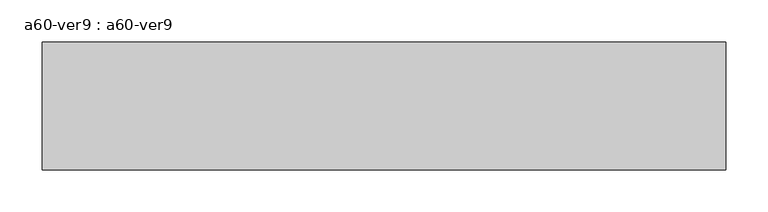
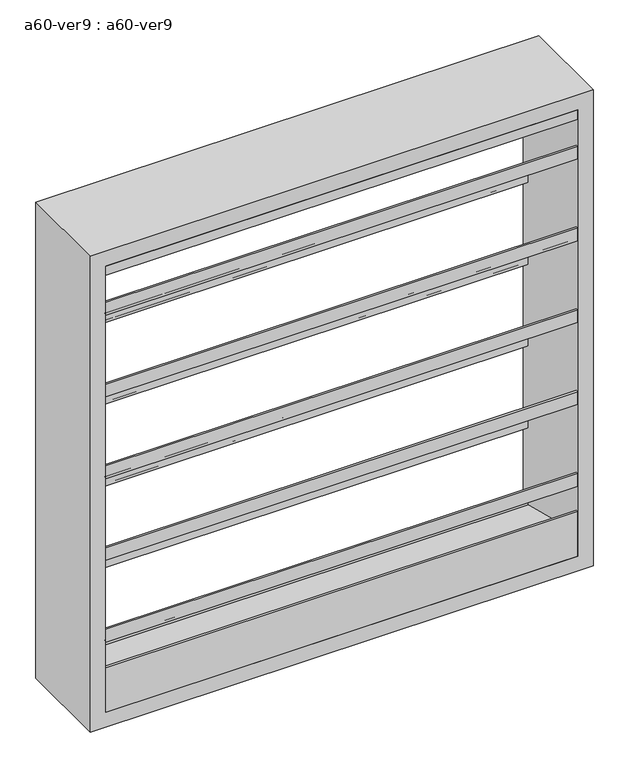
"""IFC4 building model written with IfcOpenShell, lengths in millimetres: proxy geometry, a60-ver9 : a60-ver9."""

from ifc_helpers import new_model, si_unit, frame, origin, place, context, project, spatial, polyline, outline, extrude, source, transform, mapped, element, save


def a60_ver9_a60_ver9_5cf89446(model_context):
    return source(origin(), model_context, "Body", "SweptSolid", [
        extrude(outline(polyline([(-73.025, 903.2657367), (-73.025, 883.09979), (65.3071116, 776.9538275), (65.3071116, 759.1154476), (73.025, 753.1933035), (73.025, 777.9079125), (76.2, 777.9079125), (76.2, 749.3), (72.883344, 749.3), (62.1321116, 757.5497108), (62.1321116, 775.3880908), (-76.2, 881.5340533), (-76.2, 903.2657367), (-73.025, 903.2657367)])), frame((-381.0, 0.0, 0.0), z_axis=(1.0, 0.0, 0.0), x_axis=(0.0, 1.0, 0.0)), (0.0, 0.0, 1.0), 762.0),
        extrude(outline(polyline([(-73.025, 1042.9657367), (-73.025, 1022.79979), (65.3071116, 916.6538275), (65.3071116, 898.8154476), (73.025, 892.8933035), (73.025, 917.6079125), (76.2, 917.6079125), (76.2, 889.0), (72.883344, 889.0), (62.1321116, 897.2497108), (62.1321116, 915.0880908), (-76.2, 1021.2340533), (-76.2, 1042.9657367), (-73.025, 1042.9657367)])), frame((-381.0, 0.0, 0.0), z_axis=(1.0, 0.0, 0.0), x_axis=(0.0, 1.0, 0.0)), (0.0, 0.0, 1.0), 762.0),
        extrude(outline(polyline([(-73.025, 1182.6657367), (-73.025, 1162.49979), (65.3071116, 1056.3538275), (65.3071116, 1038.5154476), (73.025, 1032.5933035), (73.025, 1057.3079125), (76.2, 1057.3079125), (76.2, 1028.7), (72.883344, 1028.7), (62.1321116, 1036.9497108), (62.1321116, 1054.7880908), (-76.2, 1160.9340533), (-76.2, 1182.6657367), (-73.025, 1182.6657367)])), frame((-381.0, 0.0, 0.0), z_axis=(1.0, 0.0, 0.0), x_axis=(0.0, 1.0, 0.0)), (0.0, 0.0, 1.0), 762.0),
        extrude(outline(polyline([(-73.025, 1322.3657367), (-73.025, 1302.19979), (65.3071116, 1196.0538275), (65.3071116, 1178.2154476), (73.025, 1172.2933035), (73.025, 1197.0079125), (76.2, 1197.0079125), (76.2, 1168.4), (72.883344, 1168.4), (62.1321116, 1176.6497108), (62.1321116, 1194.4880908), (-76.2, 1300.6340533), (-76.2, 1322.3657367), (-73.025, 1322.3657367)])), frame((-381.0, 0.0, 0.0), z_axis=(1.0, 0.0, 0.0), x_axis=(0.0, 1.0, 0.0)), (0.0, 0.0, 1.0), 762.0),
        extrude(outline(polyline([(-73.025, 1462.0657367), (-73.025, 1441.89979), (65.3071116, 1335.7538275), (65.3071116, 1317.9154476), (73.025, 1311.9933035), (73.025, 1336.7079125), (76.2, 1336.7079125), (76.2, 1308.1), (72.883344, 1308.1), (62.1321116, 1316.3497108), (62.1321116, 1334.1880908), (-76.2, 1440.3340533), (-76.2, 1462.0657367), (-73.025, 1462.0657367)])), frame((-381.0, 0.0, 0.0), z_axis=(1.0, 0.0, 0.0), x_axis=(0.0, 1.0, 0.0)), (0.0, 0.0, 1.0), 762.0),
        extrude(outline(polyline([(0.0, 1508.125), (76.2, 1447.8), (71.0848317, 1447.8), (-5.1151683, 1508.125), (-76.2, 1508.125), (-76.2, 1524.0), (76.2, 1524.0), (0.0, 1508.125)])), frame((-381.0, 0.0, 0.0), z_axis=(1.0, 0.0, 0.0), x_axis=(0.0, 1.0, 0.0)), (0.0, 0.0, 1.0), 762.0),
        extrude(outline(polyline([(76.2, 762.0), (-76.2, 762.0), (-76.2, 838.2), (-73.025, 838.2), (-73.025, 800.1), (76.2, 762.0)])), frame((-381.0, 0.0, 0.0), z_axis=(1.0, 0.0, 0.0), x_axis=(0.0, 1.0, 0.0)), (0.0, 0.0, 1.0), 762.0),
        extrude(outline(polyline([(736.6, -406.4), (736.6, 406.4), (1549.4, 406.4), (1549.4, -406.4), (736.6, -406.4)]), holes=[polyline([(762.0, -381.0), (1524.0, -381.0), (1524.0, 381.0), (762.0, 381.0), (762.0, -381.0)])]), frame((0.0, -76.2, 0.0), z_axis=(0.0, 1.0, 0.0), x_axis=(0.0, 0.0, 1.0)), (0.0, 0.0, 1.0), 152.4),
    ])


if __name__ == "__main__":
    model = new_model("IFC4")
    model_context = context("Model", 3, world=origin())
    ifc_project = project(units=[si_unit("LENGTHUNIT", "METRE", prefix="MILLI")], contexts=[model_context])
    site = spatial("IfcSite", under=ifc_project)
    building = spatial("IfcBuilding", under=site)
    placement = place(None, origin())
    a60_ver9_a60_ver9_shape = a60_ver9_a60_ver9_5cf89446(model_context)
    element("IfcBuildingElementProxy", 1, Name="a60-ver9 : a60-ver9", ObjectType="a60-ver9 : a60-ver9", at=placement, inside=building, context=model_context, shape_type="MappedRepresentation", body=[
        mapped(a60_ver9_a60_ver9_shape, transform((0.0, 0.0, 0.0), x_axis=(1.0, 0.0, 0.0), y_axis=(0.0, 1.0, 0.0), z_axis=(0.0, 0.0, 1.0))),
    ])
    save(model, "model.ifc")
